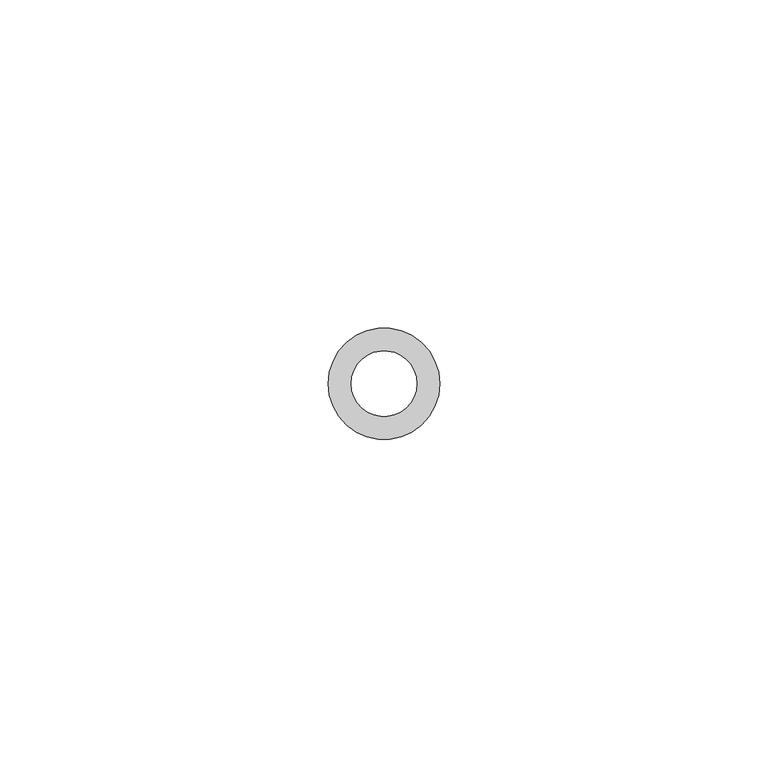
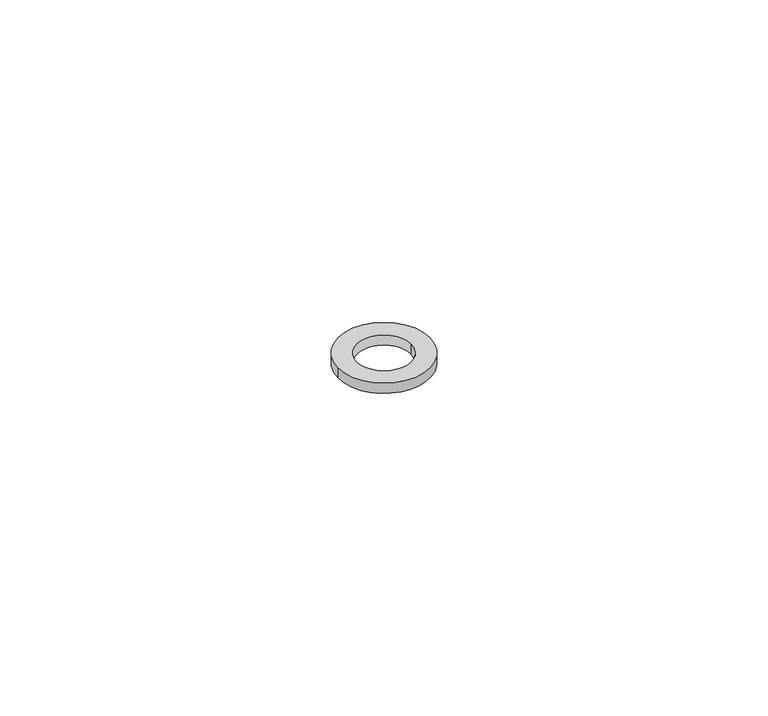
"""IFC4 building model written with IfcOpenShell, lengths in millimetres: proxy geometry."""

from ifc_helpers import new_model, si_unit, point, origin, origin_with_axes, origin_2d, place, context, project, spatial, circle_curve, trimmed, segment, composite_curve, outline, extrude, source, transform, mapped, element, save


def generic_models_49aa994b(model_context):
    return source(origin(), model_context, "Body", "SweptSolid", [
        extrude(outline(composite_curve([segment(trimmed(circle_curve(origin_2d(), 8.5), [point((-8.5, 0.0))], [point((8.5, 0.0))], False, "CARTESIAN"), True, "CONTINUOUS"), segment(trimmed(circle_curve(origin_2d(), 8.5), [point((8.5, 0.0))], [point((-8.5, 0.0))], False, "CARTESIAN"), True, "CONTINUOUS")], self_intersect=False), holes=[composite_curve([segment(trimmed(circle_curve(origin_2d(), 5.0), [point((-5.0, 0.0))], [point((5.0, 0.0))], True, "CARTESIAN"), True, "CONTINUOUS"), segment(trimmed(circle_curve(origin_2d(), 5.0), [point((5.0, 0.0))], [point((-5.0, 0.0))], True, "CARTESIAN"), True, "CONTINUOUS")], self_intersect=False)]), origin_with_axes(), (0.0, 0.0, 1.0), 2.0),
    ])


if __name__ == "__main__":
    model = new_model("IFC4")
    model_context = context("Model", 3, world=origin())
    ifc_project = project(units=[si_unit("LENGTHUNIT", "METRE", prefix="MILLI")], contexts=[model_context])
    site = spatial("IfcSite", under=ifc_project)
    building = spatial("IfcBuilding", under=site)
    placement = place(None, origin())
    generic_models_shape = generic_models_49aa994b(model_context)
    element("IfcBuildingElementProxy", 1, Name="Generic Models", at=placement, inside=building, context=model_context, shape_type="MappedRepresentation", body=[
        mapped(generic_models_shape, transform((0.0, 0.0, 0.0), x_axis=(1.0, 0.0, 0.0), y_axis=(0.0, 1.0, 0.0), z_axis=(0.0, 0.0, 1.0))),
    ])
    save(model, "model.ifc")
